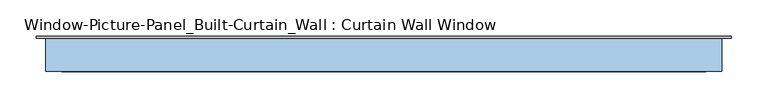
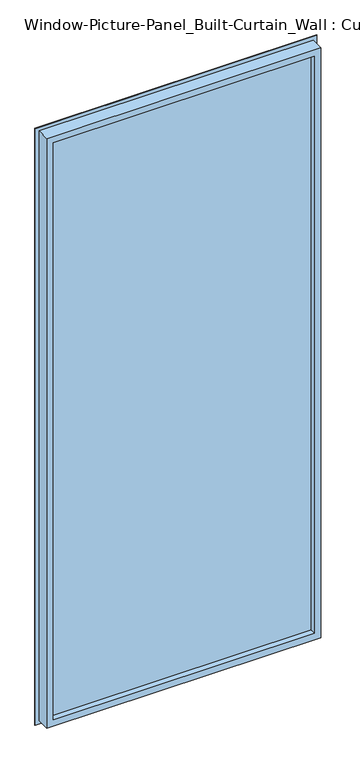
"""IFC4 building model written with IfcOpenShell, lengths in millimetres: window geometry, Window-Picture-Panel_Built-Curtain_Wall : Curtain Wall Window."""

from ifc_helpers import new_model, si_unit, frame, origin, place, context, project, spatial, polyline, outline, extrude, faceted_brep, source, transform, mapped, element, save


def window_picture_panel_built_curtain_wall_curtain_wall_window_dbfeb9cd(model_context):
    return source(origin(), model_context, "Body", "SolidModel", [
        extrude(outline(polyline([(450.85, 32.9044336), (450.85, 26.5544336), (-450.85, 26.5544336), (-450.85, 32.9044336), (450.85, 32.9044336)])), frame((0.0, 0.0, 12.7), z_axis=(0.0, 0.0, 1.0), x_axis=(1.0, 0.0, 0.0)), (0.0, 0.0, 1.0), 2082.8),
        faceted_brep([(-463.55, 5.5372, 2108.2), (-463.55, 50.8, 2108.2), (-463.55, 50.8, 0.0), (-463.55, 5.5372, 0.0), (-476.25, 50.8, -12.7), (476.25, 50.8, -12.7), (476.25, 50.8, 2120.9), (-476.25, 50.8, 2120.9), (463.55, 50.8, 2108.2), (463.55, 50.8, 0.0), (463.55, 5.5372, 0.0), (463.55, 5.5372, 2108.2), (-441.3339566, 5.5372, 2085.9839566), (441.3339566, 5.5372, 2085.9839566), (441.3339566, 5.5372, 22.2160434), (-441.3339566, 5.5372, 22.2160434), (-441.3339566, 26.5544336, 2085.9839566), (-441.3339566, 26.5544336, 22.2160434), (441.3339566, 26.5544336, 22.2160434), (-450.85, 26.5544336, 2095.5), (450.85, 26.5544336, 2095.5), (450.85, 26.5544336, 12.7), (-450.85, 26.5544336, 12.7), (441.3339566, 26.5544336, 2085.9839566), (-450.85, 32.9044336, 2095.5), (-450.85, 32.9044336, 12.7), (450.85, 32.9044336, 12.7), (450.85, 32.9044336, 2095.5), (-441.3339566, 32.9044336, 2085.9839566), (441.3339566, 32.9044336, 2085.9839566), (441.3339566, 32.9044336, 22.2160434), (-441.3339566, 32.9044336, 22.2160434), (-441.3339566, 40.4712173, 2085.9839566), (-441.3339566, 40.4712173, 22.2160434), (441.3339566, 40.4712173, 22.2160434), (-454.0649799, 53.1622, 2098.7149799), (-454.0649799, 53.1622, 9.4850201), (454.0649799, 53.1622, 9.4850201), (-476.25, 53.1622, 2120.9), (476.25, 53.1622, 2120.9), (476.25, 53.1622, -12.7), (-476.25, 53.1622, -12.7), (454.0649799, 53.1622, 2098.7149799), (441.3339566, 40.4712173, 2085.9839566)], [[[0, 1, 2, 3]], [[4, 5, 6, 7], [1, 8, 9, 2]], [[3, 2, 9, 10]], [[3, 10, 11, 0], [12, 13, 14, 15]], [[16, 12, 15, 17]], [[17, 15, 14, 18]], [[19, 20, 21, 22], [17, 18, 23, 16]], [[24, 19, 22, 25]], [[25, 22, 21, 26]], [[25, 26, 27, 24], [28, 29, 30, 31]], [[32, 28, 31, 33]], [[33, 31, 30, 34]], [[35, 32, 33, 36]], [[36, 33, 34, 37]], [[38, 39, 40, 41], [36, 37, 42, 35]], [[7, 38, 41, 4]], [[4, 41, 40, 5]], [[10, 9, 8, 11]], [[18, 14, 13, 23]], [[26, 21, 20, 27]], [[34, 30, 29, 43]], [[37, 34, 43, 42]], [[5, 40, 39, 6]], [[11, 8, 1, 0]], [[23, 13, 12, 16]], [[27, 20, 19, 24]], [[43, 29, 28, 32]], [[42, 43, 32, 35]], [[6, 39, 38, 7]]]),
    ])


if __name__ == "__main__":
    model = new_model("IFC4")
    model_context = context("Model", 3, world=origin())
    ifc_project = project(units=[si_unit("LENGTHUNIT", "METRE", prefix="MILLI")], contexts=[model_context])
    site = spatial("IfcSite", under=ifc_project)
    building = spatial("IfcBuilding", under=site)
    placement = place(None, origin())
    window_picture_panel_built_curtain_wall_curtain_wall_window_shape = window_picture_panel_built_curtain_wall_curtain_wall_window_dbfeb9cd(model_context)
    element("IfcWindow", 1, ObjectType="Window-Picture-Panel_Built-Curtain_Wall : Curtain Wall Window", at=placement, inside=building, context=model_context, shape_type="MappedRepresentation", body=[
        mapped(window_picture_panel_built_curtain_wall_curtain_wall_window_shape, transform((0.0, 0.0, 0.0), x_axis=(1.0, 0.0, 0.0), y_axis=(0.0, 1.0, 0.0), z_axis=(0.0, 0.0, 1.0))),
    ])
    save(model, "model.ifc")
